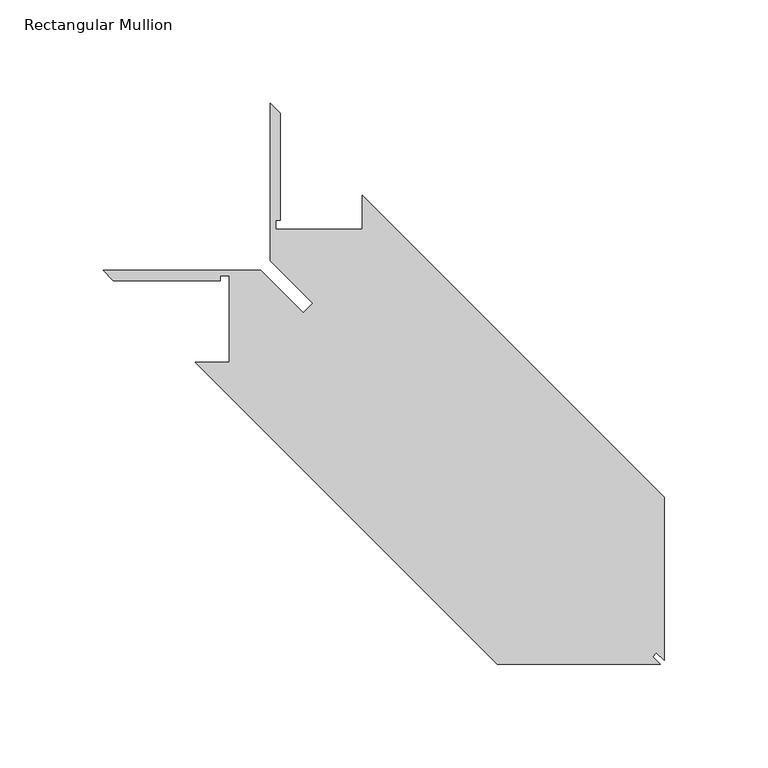
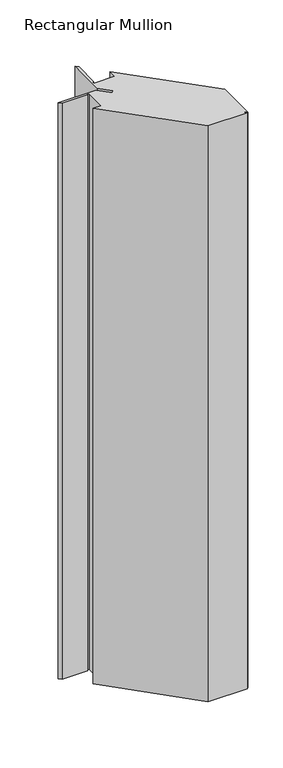
"""IFC4 building model written with IfcOpenShell, lengths in millimetres: member geometry, Rectangular Mullion."""

from ifc_helpers import new_model, si_unit, frame, origin, place, context, project, spatial, polyline, outline, extrude, source, transform, mapped, element, save


def rectangular_mullion_5381e1f3(model_context):
    return source(origin(), model_context, "Body", "SweptSolid", [
        extrude(outline(polyline([(109.7007294, -84.3007294), (109.7007294, -163.3201294), (105.9923294, -159.6117294), (104.1894243, -161.4146344), (107.8978243, -165.1230344), (28.8784243, -165.1230344), (-117.1715757, -19.0730344), (-100.6869757, -19.0730344), (-100.6869757, 22.8369275), (-105.0824021, 22.8369275), (-105.0824021, 20.5001275), (-156.7203466, 20.5001275), (-161.5971466, 25.3769275), (-85.4228021, 25.3769275), (-64.9753453, 4.9294706), (-60.3517757, 9.5530402), (-80.7992325, 30.000497), (-80.7992325, 106.1992325), (-75.9224325, 101.3224325), (-75.9224325, 49.660097), (-78.2592325, 49.660097), (-78.2592325, 45.2646706), (-36.3492706, 45.2646706), (-36.3492706, 61.7492706), (109.7007294, -84.3007294)])), frame((0.0, 0.0, -1219.2), z_axis=(0.0, 0.0, 1.0), x_axis=(1.0, 0.0, 0.0)), (0.0, 0.0, 1.0), 1219.2),
    ])


if __name__ == "__main__":
    model = new_model("IFC4")
    model_context = context("Model", 3, world=origin())
    ifc_project = project(units=[si_unit("LENGTHUNIT", "METRE", prefix="MILLI")], contexts=[model_context])
    site = spatial("IfcSite", under=ifc_project)
    building = spatial("IfcBuilding", under=site)
    placement = place(None, origin())
    rectangular_mullion_shape = rectangular_mullion_5381e1f3(model_context)
    element("IfcMember", 1, ObjectType="Rectangular Mullion", at=placement, inside=building, context=model_context, shape_type="MappedRepresentation", body=[
        mapped(rectangular_mullion_shape, transform((0.0, 0.0, 0.0), x_axis=(1.0, 0.0, 0.0), y_axis=(0.0, 1.0, 0.0), z_axis=(0.0, 0.0, 1.0))),
    ])
    save(model, "model.ifc")
